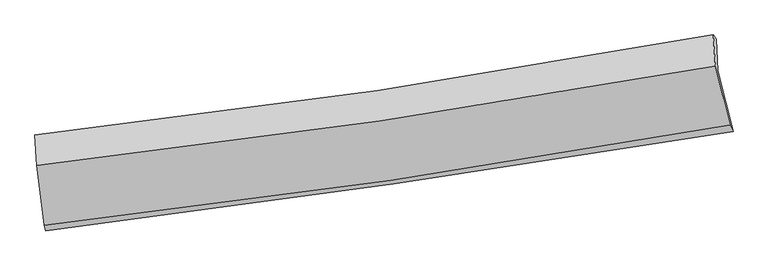
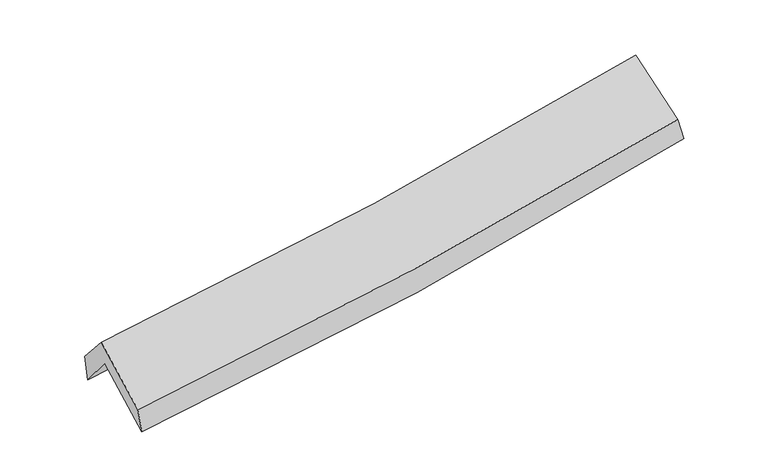
"""IFC4 building model written with IfcOpenShell, lengths in millimetres: proxy geometry."""

from ifc_helpers import new_model, si_unit, frame, origin, place, context, project, spatial, source, transform, mapped, element, save
from ifc_brep_helpers import plane_surface, spline_curve, spline_surface, advanced_brep


def generic_models_d5cdbecd(model_context):
    return source(origin(), model_context, "Body", "AdvancedBrep", [
        advanced_brep(
        [(-2816.3729519, -2503.6800184, 1463.6477349), (-2882.1692388, -1990.7965464, 1880.24409), (2810.415754, -1161.424816, 2381.1201306), (2937.2384546, -1673.2577149, 1962.8384592), (-2895.2688017, -1733.7126095, 1558.3302749), (2794.5231014, -895.1716021, 2074.1763632), (-2907.1605881, -1698.4980402, 1783.7925953), (2771.728098, -860.6498631, 2251.5486601), (-2893.173141, -1954.347791, 2078.7796135), (2788.8573436, -1124.1546601, 2540.6537652), (-2828.4994869, -2458.4803158, 1669.2913305), (2911.3730692, -1618.6054064, 2136.5771906)],
        [
            (0, 1),
            (1, 2, spline_curve(3, [(-2882.1692388, -1990.7965464, 1880.24409), (-1920.740683688, -1867.441262105, 1917.9656569), (-962.350248006, -1736.110966954, 1979.019727592), (935.094331624, -1459.433877626, 2146.62161136), (1874.232226769, -1314.306929379, 2252.526221232), (2810.415754, -1161.424816, 2381.1201306)], [4, 2, 4], [0.0, 9.592206411840973, 19.05127538595709])),
            (2, 3),
            (3, 0, spline_curve(3, [(2937.2384546, -1673.2577149, 1962.8384592), (1992.520001866, -1827.928611057, 1833.155377137), (1044.070117451, -1974.042529534, 1726.840862737), (-873.694571557, -2251.092539958, 1559.781494517), (-1843.115156108, -2381.786055914, 1499.699101064), (-2816.3729519, -2503.6800184, 1463.6477349)], [4, 2, 4], [0.0, 9.459068974116118, 19.05127538595709])),
            (1, 4),
            (4, 5, spline_curve(3, [(-2895.2688017, -1733.7126095, 1558.3302749), (-1932.979387518, -1618.261728313, 1601.511556984), (-974.397552172, -1490.08119182, 1666.541409087), (922.097542348, -1210.216606374, 1839.092401443), (1860.113008495, -1058.883473601, 1946.011245766), (2794.5231014, -895.1716021, 2074.1763632)], [4, 2, 4], [0.0, 9.542342486352732, 18.952239633856443])),
            (5, 2),
            (4, 6),
            (6, 7, spline_curve(3, [(-2907.1605881, -1698.4980402, 1783.7925953), (-1947.557166962, -1591.551815183, 1836.824648134), (-991.230287971, -1467.65243546, 1902.681755212), (901.642283492, -1187.902364663, 2058.953990163), (1838.278299924, -1032.519018647, 2149.015571109), (2771.728098, -860.6498631, 2251.5486601)], [4, 2, 4], [0.0, 9.529272433646135, 18.92628093752199])),
            (7, 5),
            (6, 8),
            (8, 9, spline_curve(3, [(-2893.173141, -1954.347791, 2078.7796135), (-1933.653644211, -1846.045975196, 2132.836585622), (-977.102945557, -1722.120404804, 2198.705537034), (916.825375307, -1444.958663108, 2352.989206977), (1854.284838551, -1292.153190411, 2441.078305799), (2788.8573436, -1124.1546601, 2540.6537652)], [4, 2, 4], [0.0, 9.517624400119418, 18.903146542274992])),
            (9, 7),
            (8, 10),
            (10, 11, spline_curve(3, [(-2828.4994869, -2458.4803158, 1669.2913305), (-1857.704724137, -2349.354902881, 1723.544885031), (-890.668012001, -2224.2022804, 1789.968741802), (1022.519242122, -1943.802157332, 1946.066191835), (1968.773382196, -1788.996476721, 2035.404288604), (2911.3730692, -1618.6054064, 2136.5771906)], [4, 2, 4], [0.0, 9.567372064467264, 19.001951385770543])),
            (11, 9),
            (10, 0),
            (3, 11),
        ],
        [
            spline_surface(3, 3, [[(-2816.3729519, -2503.6800184, 1463.6477349), (-1843.115155963, -2381.786056068, 1499.699101177), (-873.694571544, -2251.092540001, 1559.781494662), (1044.070117438, -1974.042529491, 1726.840862593), (1992.520001851, -1827.928611038, 1833.155377217), (2937.2384546, -1673.2577149, 1962.8384592)], [(-2838.305047536, -2332.718861062, 1602.513186585), (-1868.990331832, -2210.337791456, 1639.12128642), (-903.246463694, -2079.432015683, 1699.527572294), (1007.744855465, -1802.506312194, 1866.767778899), (1953.090743522, -1656.721383784, 1972.945658506), (2894.964221049, -1502.646748573, 2102.265683002)], [(-2860.237143164, -2161.757703738, 1741.378638315), (-1894.865507692, -2038.889526859, 1778.543471707), (-932.798355797, -1907.771491333, 1839.273649867), (971.41959354, -1630.970094864, 2006.694695145), (1913.661485247, -1485.514156609, 2112.735939789), (2852.689987551, -1332.035782327, 2241.692906798)], [(-2882.1692388, -1990.7965464, 1880.24409), (-1920.740683561, -1867.441262247, 1917.96565695), (-962.350247948, -1736.110967015, 1979.019727499), (935.094331567, -1459.433877566, 2146.621611451), (1874.232226918, -1314.306929354, 2252.526221077), (2810.415754, -1161.424816, 2381.1201306)]], [4, 4], [4, 2, 4], [0.0, 2.2026582629754987], [0.0, 9.592206411840973, 19.05127538595709]),
            spline_surface(3, 3, [[(-2882.1692388, -1990.7965464, 1880.24409), (-1920.740683561, -1867.441262247, 1917.96565695), (-962.350247948, -1736.110967015, 1979.019727499), (935.094331567, -1459.433877566, 2146.621611451), (1874.232226918, -1314.306929354, 2252.526221077), (2810.415754, -1161.424816, 2381.1201306)], [(-2886.535759759, -1905.101900771, 1772.939484975), (-1924.820251495, -1784.381417656, 1812.48095702), (-966.36601605, -1654.101041971, 1874.860288012), (930.762068532, -1376.361453772, 2044.111874799), (1869.525820747, -1229.165777463, 2150.354562616), (2805.118203134, -1072.673744717, 2278.805541474)], [(-2890.902280741, -1819.407255129, 1665.634879925), (-1928.899819452, -1701.321573051, 1706.996257065), (-970.381784168, -1572.091116991, 1770.700848523), (926.429805479, -1293.289030043, 1941.602138146), (1864.819414575, -1144.024625519, 2048.182904134), (2799.820652266, -983.922673383, 2176.490952326)], [(-2895.2688017, -1733.7126095, 1558.3302749), (-1932.979387387, -1618.26172846, 1601.511557135), (-974.39755227, -1490.081191947, 1666.541409036), (922.097542444, -1210.21660625, 1839.092401494), (1860.113008404, -1058.883473628, 1946.011245673), (2794.5231014, -895.1716021, 2074.1763632)]], [4, 4], [4, 2, 4], [0.0, 1.3024036367155045], [0.0, 9.542342486352732, 18.952239633856443]),
            spline_surface(3, 3, [[(-2895.2688017, -1733.7126095, 1558.3302749), (-1932.979387387, -1618.26172846, 1601.511557135), (-974.39755227, -1490.081191947, 1666.541409036), (922.097542444, -1210.21660625, 1839.092401494), (1860.113008404, -1058.883473628, 1946.011245673), (2794.5231014, -895.1716021, 2074.1763632)], [(-2899.232730501, -1721.974419735, 1633.484381699), (-1937.838647204, -1609.358424045, 1679.949254126), (-980.008464166, -1482.604939801, 1745.254857804), (915.279122776, -1202.778525722, 1912.379597671), (1852.834772268, -1050.095321979, 2013.679354128), (2786.924766957, -883.664355778, 2133.300462162)], [(-2903.196659299, -1710.236229965, 1708.638488501), (-1942.697907018, -1600.455119626, 1758.386951119), (-985.619376043, -1475.128687629, 1823.968306577), (908.460703129, -1195.340445167, 1985.666793854), (1845.556536063, -1041.307170296, 2081.347462596), (2779.326432443, -872.157109422, 2192.424561138)], [(-2907.1605881, -1698.4980402, 1783.7925953), (-1947.557166835, -1591.551815212, 1836.82464811), (-991.230287939, -1467.652435484, 1902.681755345), (901.642283461, -1187.90236464, 2058.953990032), (1838.278299928, -1032.519018647, 2149.01557105), (2771.728098, -860.6498631, 2251.5486601)]], [4, 4], [4, 2, 4], [0.0, 0.7544714544141703], [0.0, 9.529272433646135, 18.92628093752199]),
            spline_surface(3, 3, [[(-2907.1605881, -1698.4980402, 1783.7925953), (-1947.557166835, -1591.551815212, 1836.82464811), (-991.230287939, -1467.652435484, 1902.681755345), (901.642283461, -1187.90236464, 2058.953990032), (1838.278299928, -1032.519018647, 2149.01557105), (2771.728098, -860.6498631, 2251.5486601)], [(-2902.498105733, -1783.781290449, 1882.121601383), (-1942.92265929, -1676.383201904, 1935.495293981), (-986.521173833, -1552.475091869, 2001.356349291), (906.703314132, -1273.587797505, 2156.965728979), (1843.613812757, -1119.06374251, 2246.369816021), (2777.437846525, -948.48479542, 2347.91702848)], [(-2897.835623367, -1869.064540751, 1980.450607417), (-1938.288151747, -1761.21458865, 2034.165939804), (-981.81205978, -1637.297748271, 2100.030943216), (911.764344751, -1359.273230388, 2254.977467904), (1848.949325611, -1205.608466412, 2343.724060953), (2783.147595075, -1036.31972778, 2444.28539682)], [(-2893.173141, -1954.347791, 2078.7796135), (-1933.653644203, -1846.045975342, 2132.836585675), (-977.102945674, -1722.120404656, 2198.705537162), (916.825375422, -1444.958663253, 2352.989206851), (1854.28483844, -1292.153190275, 2441.078305924), (2788.8573436, -1124.1546601, 2540.6537652)]], [4, 4], [4, 2, 4], [0.0, 1.2819236720862233], [0.0, 9.517624400119418, 18.903146542274992]),
            spline_surface(3, 3, [[(-2893.173141, -1954.347791, 2078.7796135), (-1933.653644203, -1846.045975342, 2132.836585675), (-977.102945674, -1722.120404656, 2198.705537162), (916.825375422, -1444.958663253, 2352.989206851), (1854.28483844, -1292.153190275, 2441.078305924), (2788.8573436, -1124.1546601, 2540.6537652)], [(-2871.61525631, -2122.391965961, 1942.283519168), (-1908.337337533, -2013.81561784, 1996.406018775), (-948.291301188, -1889.481029882, 2062.459938644), (952.05666434, -1611.239827985, 2217.348201872), (1892.447686375, -1457.767619109, 2305.853633491), (2829.695918792, -1288.971575549, 2405.961573652)], [(-2850.05737159, -2290.436140839, 1805.787424832), (-1883.021030832, -2181.585260255, 1859.97545187), (-919.479656622, -2056.841655082, 1926.214340183), (987.287953337, -1777.520992692, 2081.70719695), (1930.610534335, -1623.382047895, 2170.628961102), (2870.534494008, -1453.788490951, 2271.269382148)], [(-2828.4994869, -2458.4803158, 1669.2913305), (-1857.704724163, -2349.354902754, 1723.54488497), (-890.668012135, -2224.202280308, 1789.968741665), (1022.519242254, -1943.802157423, 1946.066191971), (1968.773382269, -1788.996476729, 2035.404288669), (2911.3730692, -1618.6054064, 2136.5771906)]], [4, 4], [4, 2, 4], [0.0, 2.141419878103311], [0.0, 9.567372064467264, 19.001951385770543]),
            spline_surface(3, 3, [[(-2828.4994869, -2458.4803158, 1669.2913305), (-1857.704724163, -2349.354902754, 1723.54488497), (-890.668012135, -2224.202280308, 1789.968741665), (1022.519242254, -1943.802157423, 1946.066191971), (1968.773382269, -1788.996476729, 2035.404288669), (2911.3730692, -1618.6054064, 2136.5771906)], [(-2824.457308561, -2473.546883322, 1600.743465289), (-1852.841534757, -2360.165287181, 1648.929623694), (-885.010198579, -2233.165700205, 1713.239659324), (1029.702867341, -1953.882281445, 1872.991082172), (1976.68892214, -1801.973854828, 1967.987984849), (2919.994864343, -1636.822842562, 2078.664280131)], [(-2820.415130239, -2488.613450878, 1532.195600111), (-1847.978345368, -2370.975671642, 1574.314362452), (-879.3523851, -2242.129120104, 1636.510577003), (1036.886492351, -1963.962405469, 1799.915972392), (1984.604461981, -1814.95123294, 1900.571681037), (2928.616659457, -1655.040278738, 2020.751369669)], [(-2816.3729519, -2503.6800184, 1463.6477349), (-1843.115155963, -2381.786056068, 1499.699101177), (-873.694571544, -2251.092540001, 1559.781494662), (1044.070117438, -1974.042529491, 1726.840862593), (1992.520001851, -1827.928611038, 1833.155377217), (2937.2384546, -1673.2577149, 1962.8384592)]], [4, 4], [4, 2, 4], [0.0, 0.7460652858625905], [0.0, 9.6287381503742, 19.123831811584584]),
            plane_surface(frame((2835.6893035, -1222.2106771, 2224.4857615), z_axis=(0.9815566304992918, 0.16662579051518103, 0.09371460429446493), x_axis=(0.18842564086967162, -0.7604509406599607, -0.621458079609747))),
            plane_surface(frame((-2870.4407014, -2056.5858869, 1739.0142732), z_axis=(-0.9945548943915843, -0.09732725488421959, -0.03725543582414198), x_axis=(-0.057498628765087545, 0.2143168608932486, 0.9750703517321192))),
        ],
        [
            (0, [[1, 2, 3, 4]]),
            (1, [[5, 6, 7, -2]]),
            (2, [[8, 9, 10, -6]]),
            (3, [[11, 12, 13, -9]]),
            (4, [[14, 15, 16, -12]]),
            (5, [[17, -4, 18, -15]]),
            (6, [[-16, -18, -3, -7, -10, -13]]),
            (7, [[-17, -14, -11, -8, -5, -1]]),
        ],
    ),
    ])


if __name__ == "__main__":
    model = new_model("IFC4")
    model_context = context("Model", 3, world=origin())
    ifc_project = project(units=[si_unit("LENGTHUNIT", "METRE", prefix="MILLI")], contexts=[model_context])
    site = spatial("IfcSite", under=ifc_project)
    building = spatial("IfcBuilding", under=site)
    placement = place(None, origin())
    generic_models_shape = generic_models_d5cdbecd(model_context)
    element("IfcBuildingElementProxy", 1, Name="Generic Models", at=placement, inside=building, context=model_context, shape_type="MappedRepresentation", body=[
        mapped(generic_models_shape, transform((0.0, 0.0, 0.0), x_axis=(1.0, 0.0, 0.0), y_axis=(0.0, 1.0, 0.0), z_axis=(0.0, 0.0, 1.0))),
    ])
    save(model, "model.ifc")
